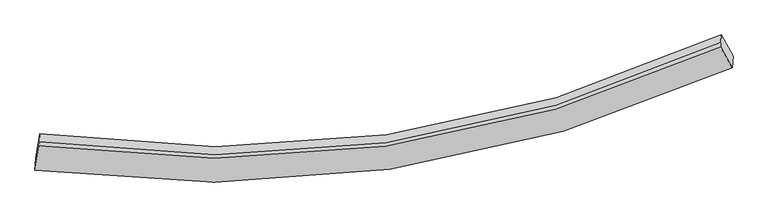
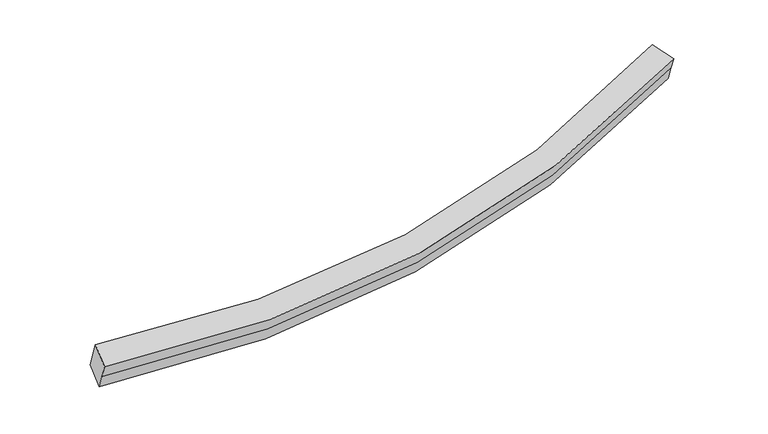
"""IFC4 building model written with IfcOpenShell, lengths in millimetres: proxy geometry."""

from ifc_helpers import new_model, si_unit, frame, origin, place, context, project, spatial, source, transform, mapped, element, save
from ifc_brep_helpers import plane_surface, spline_curve, spline_surface, advanced_brep


def generic_models_24fe407d(model_context):
    return source(origin(), model_context, "Body", "AdvancedBrep", [
        advanced_brep(
        [(-4198.5387239, -2201.4318972, 1631.4478421), (-4193.2012265, -2130.0472089, 1444.2717286), (4186.7720691, -902.9215922, 2163.3509258), (4181.5618628, -972.6038653, 2346.0631765), (-4145.3403409, -1835.3616201, 1558.0228684), (4046.0251524, -646.8918879, 2256.9812722), (-4152.6566935, -1933.2118875, 1814.5937548), (4039.3908075, -735.6208564, 2489.6354151), (-4156.0153357, -1978.1309968, 1932.3750955), (4035.6047398, -786.2564342, 2622.4057736), (-4203.8762213, -2272.8165855, 1818.6239556), (4176.3516565, -1042.2861385, 2528.7754272)],
        [
            (0, 1),
            (1, 2, spline_curve(3, [(-4193.2012265, -2130.0472089, 1444.2717286), (-2736.557505644, -2325.311532674, 1417.133263661), (-1315.167222651, -2323.075915603, 1462.431736336), (1479.294872127, -1920.407559235, 1699.787191416), (2851.229020968, -1513.601303929, 1894.181784448), (4186.7720691, -902.9215922, 2163.3509258)], [4, 2, 4], [0.0, 13.99308872436556, 28.210169982443624])),
            (2, 3),
            (3, 0, spline_curve(3, [(4181.5618628, -972.6038653, 2346.0631765), (2846.062424143, -1582.700335961, 2075.364733099), (1474.139129945, -1989.361416205, 1880.589479703), (-1320.366418839, -2392.610939688, 1644.757888167), (-2741.8099871, -2395.559203687, 1601.328029734), (-4198.5387239, -2201.4318972, 1631.4478421)], [4, 2, 4], [0.0, 14.217081258078064, 28.210169982443624])),
            (1, 4),
            (4, 5, spline_curve(3, [(-4145.3403409, -1835.3616201, 1558.0228684), (-2721.949925057, -2037.390243232, 1527.356406029), (-1332.787024729, -2041.734001479, 1569.226662174), (1398.772694908, -1651.956907511, 1799.87196648), (2740.064959097, -1251.456571418, 1990.987844924), (4046.0251524, -646.8918879, 2256.9812722)], [4, 2, 4], [0.0, 13.837718178960701, 27.896941817992406])),
            (5, 2),
            (4, 6),
            (6, 7, spline_curve(3, [(-4152.6566935, -1933.2118875, 1814.5937548), (-2729.219580953, -2134.615980219, 1782.289726707), (-1339.977211975, -2137.896908792, 1821.373161684), (1391.808786237, -1745.093526261, 2044.083305331), (2733.248917602, -1342.615586896, 2230.013757325), (4039.3908075, -735.6208564, 2489.6354151)], [4, 2, 4], [0.0, 13.682383503138999, 27.583785966885152])),
            (7, 5),
            (6, 8),
            (8, 9, spline_curve(3, [(-4156.0153357, -1978.1309968, 1932.3750955), (-2732.45488801, -2177.88558454, 1895.745938777), (-1343.185417445, -2180.804049085, 1933.878965745), (1388.461211093, -1789.864622024, 2161.476543552), (2729.731765254, -1389.654636015, 2353.353742323), (4035.6047398, -786.2564342, 2622.4057736)], [4, 2, 4], [0.0, 13.682371902897245, 27.583762580712296])),
            (9, 7),
            (8, 10),
            (10, 11, spline_curve(3, [(-4203.8762213, -2272.8165855, 1818.6239556), (-2747.062468799, -2465.806874106, 1785.522795931), (-1325.565615234, -2462.145963425, 1827.084039588), (1468.983387974, -2058.315273528, 2061.39176861), (2840.89582709, -1651.799368623, 2256.547681906), (4176.3516565, -1042.2861385, 2528.7754272)], [4, 2, 4], [0.0, 13.837696640426596, 27.896898396148934])),
            (11, 9),
            (10, 0),
            (3, 11),
        ],
        [
            spline_surface(3, 3, [[(-4198.5387239, -2201.4318972, 1631.4478421), (-2741.809987248, -2395.559203501, 1601.328029768), (-1320.366418943, -2392.610939657, 1644.757887947), (1474.139130051, -1989.361416236, 1880.589479927), (2846.062423936, -1582.700336117, 2075.364733218), (4181.5618628, -972.6038653, 2346.0631765)], [(-4196.759558096, -2177.637001091, 1569.055804259), (-2740.059160054, -2372.143313274, 1539.929774343), (-1318.633353498, -2369.432598375, 1583.982504028), (1475.857710713, -1966.376797148, 1820.322050422), (2847.784622889, -1559.667325327, 2014.970416966), (4183.298598233, -949.376440917, 2285.159092934)], [(-4194.980392304, -2153.842105009, 1506.663766441), (-2738.308332874, -2348.727423075, 1478.531518942), (-1316.900288031, -2346.254257117, 1523.207120185), (1477.576291398, -1943.392178086, 1760.054620993), (2849.506821845, -1536.634314587, 1954.576100712), (4185.035333667, -926.149016583, 2224.255009366)], [(-4193.2012265, -2130.0472089, 1444.2717286), (-2736.557505681, -2325.311532848, 1417.133263517), (-1315.167222586, -2323.075915835, 1462.431736265), (1479.29487206, -1920.407558998, 1699.787191488), (2851.229020798, -1513.601303797, 1894.18178446), (4186.7720691, -902.9215922, 2163.3509258)]], [4, 4], [4, 2, 4], [0.0, 0.6377181236563668], [0.0, 13.99308872436556, 28.210169982443624]),
            spline_surface(3, 3, [[(-4193.2012265, -2130.0472089, 1444.2717286), (-2736.557505681, -2325.311532848, 1417.133263517), (-1315.167222586, -2323.075915835, 1462.431736265), (1479.29487206, -1920.407558998, 1699.787191488), (2851.229020798, -1513.601303797, 1894.18178446), (4186.7720691, -902.9215922, 2163.3509258)], [(-4177.24759796, -2031.818679312, 1482.188775209), (-2731.688312106, -2229.33776961, 1453.874311052), (-1321.040489966, -2229.295277784, 1498.030044957), (1452.454146357, -1830.924008445, 1733.148783121), (2814.174333561, -1426.219726334, 1926.450471216), (4139.856430173, -817.578357444, 2194.56104125)], [(-4161.29396944, -1933.590149688, 1520.105821791), (-2726.819118551, -2133.364006335, 1490.61535856), (-1326.913757368, -2135.514639717, 1533.628353612), (1425.613420631, -1741.440457875, 1766.510374716), (2777.119646404, -1338.838148839, 1958.719158022), (4092.940791327, -732.235122656, 2225.77115675)], [(-4145.3403409, -1835.3616201, 1558.0228684), (-2721.949924976, -2037.390243097, 1527.356406096), (-1332.787024748, -2041.734001665, 1569.226662304), (1398.772694928, -1651.956907322, 1799.871966348), (2740.064959167, -1251.456571376, 1990.987844778), (4046.0251524, -646.8918879, 2256.9812722)]], [4, 4], [4, 2, 4], [0.0, 0.9768847021599912], [0.0, 13.837718178960701, 27.896941817992406]),
            spline_surface(3, 3, [[(-4145.3403409, -1835.3616201, 1558.0228684), (-2721.949924976, -2037.390243097, 1527.356406096), (-1332.787024748, -2041.734001665, 1569.226662304), (1398.772694928, -1651.956907322, 1799.871966348), (2740.064959167, -1251.456571376, 1990.987844778), (4046.0251524, -646.8918879, 2256.9812722)], [(-4147.779125095, -1867.978375894, 1643.546497181), (-2724.373143612, -2069.798822186, 1612.334179632), (-1335.1837538, -2073.788304113, 1653.275495386), (1396.451391984, -1683.002446902, 1881.275746025), (2737.792945276, -1281.842909943, 2070.663148971), (4043.813704115, -676.46821073, 2334.532653166)], [(-4150.217909305, -1900.595131706, 1729.070126019), (-2726.796362261, -2102.207401294, 1697.311953225), (-1337.580482817, -2105.84260655, 1737.324328512), (1394.130089074, -1714.047986472, 1962.679525745), (2735.52093134, -1312.229248519, 2150.338453164), (4041.602255785, -706.04453357, 2412.084034134)], [(-4152.6566935, -1933.2118875, 1814.5937548), (-2729.219580897, -2134.615980383, 1782.289726761), (-1339.97721187, -2137.896908997, 1821.373161594), (1391.80878613, -1745.093526052, 2044.083305422), (2733.248917449, -1342.615587087, 2230.013757356), (4039.3908075, -735.6208564, 2489.6354151)]], [4, 4], [4, 2, 4], [0.0, 0.8715276186743772], [0.0, 13.682383503138999, 27.583785966885152]),
            spline_surface(3, 3, [[(-4152.6566935, -1933.2118875, 1814.5937548), (-2729.219580897, -2134.615980383, 1782.289726761), (-1339.97721187, -2137.896908997, 1821.373161594), (1391.80878613, -1745.093526052, 2044.083305422), (2733.248917449, -1342.615587087, 2230.013757356), (4039.3908075, -735.6208564, 2489.6354151)], [(-4153.776240914, -1948.184923925, 1853.854201701), (-2730.298016648, -2149.039181748, 1820.108464075), (-1341.046613707, -2152.199289114, 1858.875096352), (1390.69292775, -1760.017224646, 2083.214384756), (2732.076533434, -1358.295270099, 2271.127085668), (4038.12878492, -752.499382337, 2533.892201266)], [(-4154.895788286, -1963.157960375, 1893.114648599), (-2731.376452359, -2163.462383139, 1857.927201385), (-1342.116015526, -2166.501669193, 1896.377031112), (1389.57706939, -1774.940923202, 2122.345464092), (2730.904149458, -1373.974953103, 2312.240413983), (4036.86676238, -769.377908263, 2578.148987434)], [(-4156.0153357, -1978.1309968, 1932.3750955), (-2732.45488811, -2177.885584504, 1895.7459387), (-1343.185417364, -2180.80404931, 1933.87896587), (1388.46121101, -1789.864621796, 2161.476543426), (2729.731765443, -1389.654636116, 2353.353742295), (4035.6047398, -786.2564342, 2622.4057736)]], [4, 4], [4, 2, 4], [0.0, 0.4039086286383553], [0.0, 13.682371902897245, 27.583762580712296]),
            spline_surface(3, 3, [[(-4156.0153357, -1978.1309968, 1932.3750955), (-2732.45488811, -2177.885584504, 1895.7459387), (-1343.185417364, -2180.80404931, 1933.87896587), (1388.46121101, -1789.864621796, 2161.476543426), (2729.731765443, -1389.654636116, 2353.353742295), (4035.6047398, -786.2564342, 2622.4057736)], [(-4171.96896424, -2076.359526388, 1894.458048891), (-2737.324081685, -2273.859347742, 1859.004891164), (-1337.312149983, -2274.584687361, 1898.280657177), (1415.301936714, -1879.34817235, 2128.114951793), (2766.78645268, -1477.036213579, 2321.085055539), (4082.520378727, -871.599668956, 2591.19565815)], [(-4187.92259276, -2174.588055912, 1856.541002209), (-2742.193275239, -2369.833110916, 1822.263843556), (-1331.438882681, -2368.365325428, 1862.682348422), (1442.142662339, -1968.831722919, 2094.753360098), (2803.841139837, -1564.417791074, 2288.816368732), (4129.436017573, -956.942903744, 2559.98554265)], [(-4203.8762213, -2272.8165855, 1818.6239556), (-2747.062468815, -2465.806874154, 1785.52279602), (-1325.565615301, -2462.14596348, 1827.08403973), (1468.983388042, -2058.315273473, 2061.391768466), (2840.895827074, -1651.799368537, 2256.547681976), (4176.3516565, -1042.2861385, 2528.7754272)]], [4, 4], [4, 2, 4], [0.0, 0.9768847021599922], [0.0, 13.837696640426596, 27.896898396148934]),
            spline_surface(3, 3, [[(-4203.8762213, -2272.8165855, 1818.6239556), (-2747.062468815, -2465.806874154, 1785.52279602), (-1325.565615301, -2462.14596348, 1827.08403973), (1468.983388042, -2058.315273473, 2061.391768466), (2840.895827074, -1651.799368537, 2256.547681976), (4176.3516565, -1042.2861385, 2528.7754272)], [(-4202.097055496, -2249.021689391, 1756.231917759), (-2745.311641621, -2442.390983927, 1724.124540595), (-1323.832549856, -2438.967622197, 1766.30865581), (1470.701968704, -2035.330654386, 2001.12433896), (2842.618026027, -1628.766357747, 2196.153365724), (4178.088391933, -1019.058714117, 2467.871343634)], [(-4200.317889704, -2225.226793309, 1693.839879941), (-2743.560814441, -2418.975093728, 1662.726285193), (-1322.099484388, -2415.78928094, 1705.533271867), (1472.420549389, -2012.346035323, 1940.856909432), (2844.340224983, -1605.733346907, 2135.75904947), (4179.825127367, -995.831289683, 2406.967260066)], [(-4198.5387239, -2201.4318972, 1631.4478421), (-2741.809987248, -2395.559203501, 1601.328029768), (-1320.366418943, -2392.610939657, 1644.757887947), (1474.139130051, -1989.361416236, 1880.589479927), (2846.062423936, -1582.700336117, 2075.364733218), (4181.5618628, -972.6038653, 2346.0631765)]], [4, 4], [4, 2, 4], [0.0, 0.6377181236563657], [0.0, 13.993078078065448, 28.210148519424145]),
            plane_surface(frame((4111.1884045, -844.5890132, 2392.8783497), z_axis=(0.8881636844185555, 0.4203596005696218, 0.18564233323518825), x_axis=(0.45875469525143797, -0.8345108485767168, -0.30518154136927844))),
            plane_surface(frame((-4174.6082811, -2054.0891028, 1688.323412), z_axis=(-0.9883564217973889, 0.14940666266493607, 0.02879639983032324), x_axis=(-0.02663455020871231, -0.35621545420810724, 0.9340241704144981))),
        ],
        [
            (0, [[1, 2, 3, 4]]),
            (1, [[5, 6, 7, -2]]),
            (2, [[8, 9, 10, -6]]),
            (3, [[11, 12, 13, -9]]),
            (4, [[14, 15, 16, -12]]),
            (5, [[17, -4, 18, -15]]),
            (6, [[-16, -18, -3, -7, -10, -13]]),
            (7, [[-17, -14, -11, -8, -5, -1]]),
        ],
    ),
    ])


if __name__ == "__main__":
    model = new_model("IFC4")
    model_context = context("Model", 3, world=origin())
    ifc_project = project(units=[si_unit("LENGTHUNIT", "METRE", prefix="MILLI")], contexts=[model_context])
    site = spatial("IfcSite", under=ifc_project)
    building = spatial("IfcBuilding", under=site)
    placement = place(None, origin())
    generic_models_shape = generic_models_24fe407d(model_context)
    element("IfcBuildingElementProxy", 1, Name="Generic Models", at=placement, inside=building, context=model_context, shape_type="MappedRepresentation", body=[
        mapped(generic_models_shape, transform((0.0, 0.0, 0.0), x_axis=(1.0, 0.0, 0.0), y_axis=(0.0, 1.0, 0.0), z_axis=(0.0, 0.0, 1.0))),
    ])
    save(model, "model.ifc")
